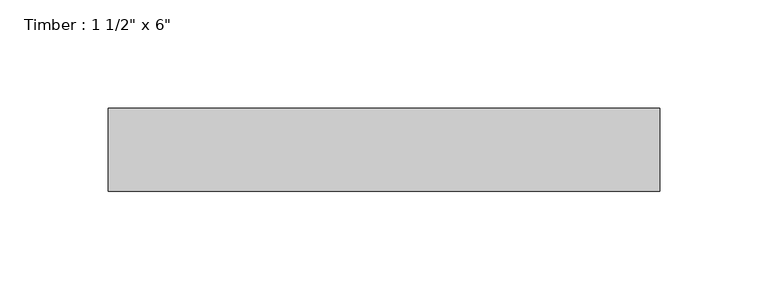
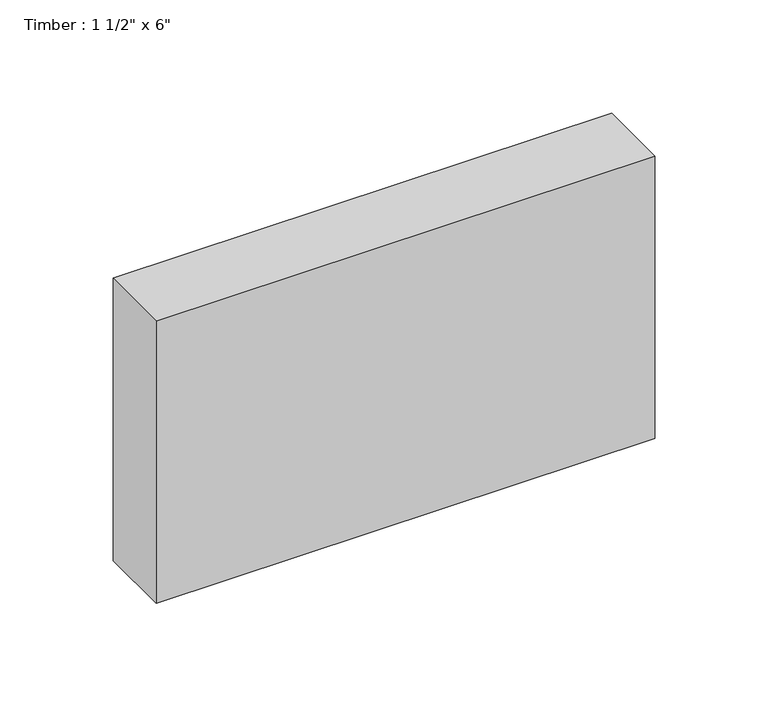
"""IFC4 building model written with IfcOpenShell, lengths in millimetres: beam geometry."""

from ifc_helpers import new_model, si_unit, frame, origin, place, context, project, spatial, polyline, outline, extrude, source, transform, mapped, element, save


def beam_619befe5(model_context):
    return source(origin(), model_context, "Body", "SweptSolid", [
        extrude(outline(polyline([(127.0, 19.05), (127.0, -19.05), (-127.0, -19.05), (-127.0, 19.05), (127.0, 19.05)])), frame((0.0, 0.0, -76.2), z_axis=(0.0, 0.0, 1.0), x_axis=(1.0, 0.0, 0.0)), (0.0, 0.0, 1.0), 152.4),
    ])


if __name__ == "__main__":
    model = new_model("IFC4")
    model_context = context("Model", 3, world=origin())
    ifc_project = project(units=[si_unit("LENGTHUNIT", "METRE", prefix="MILLI")], contexts=[model_context])
    site = spatial("IfcSite", under=ifc_project)
    building = spatial("IfcBuilding", under=site)
    placement = place(None, origin())
    beam_shape = beam_619befe5(model_context)
    element("IfcBeam", 1, ObjectType="Timber : 1 1/2\" x 6\"", at=placement, inside=building, context=model_context, shape_type="MappedRepresentation", body=[
        mapped(beam_shape, transform((0.0, 0.0, 0.0), x_axis=(1.0, 0.0, 0.0), y_axis=(0.0, 1.0, 0.0), z_axis=(0.0, 0.0, 1.0))),
    ])
    save(model, "model.ifc")
